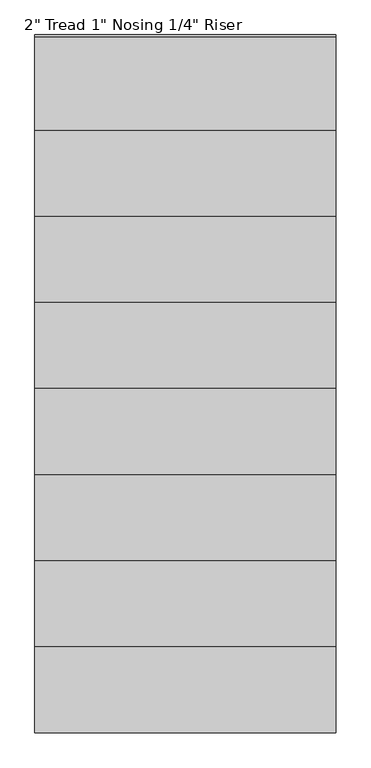
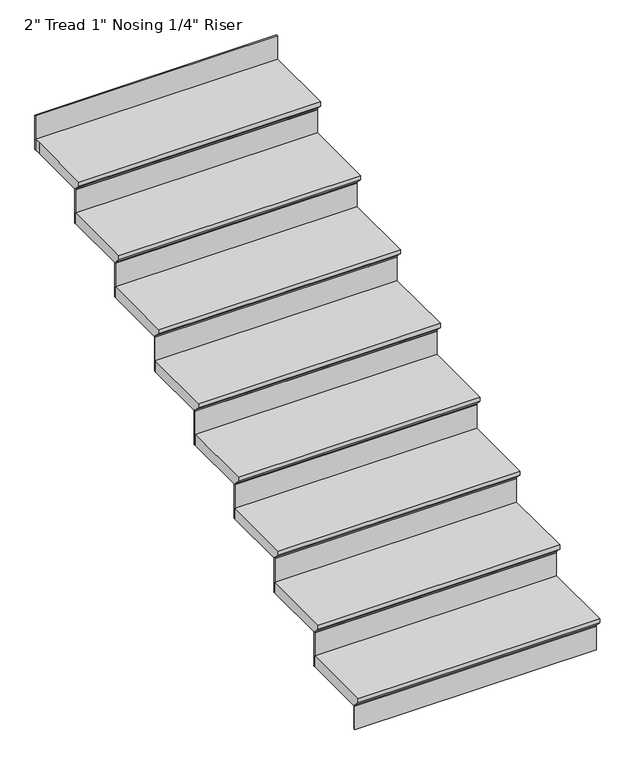
"""IFC4 building model written with IfcOpenShell, lengths in millimetres: stair flight geometry."""

from ifc_helpers import new_model, si_unit, origin, place, context, project, spatial, faceted_brep, source, transform, mapped, element, save


def stair_flight_b7dac649(model_context):
    return source(origin(), model_context, "Body", "Brep", [
        faceted_brep([(38012.2458251, 31.0295992, 140.4055556), (38012.2458251, 31.0295992, 159.4555556), (36945.4458251, 31.0295992, 159.4555556), (36945.4458251, 31.0295992, 140.4055556), (38012.2458251, 56.4295992, 115.0055556), (36945.4458251, 56.4295992, 115.0055556), (38012.2458251, 361.2295992, 159.4555556), (36945.4458251, 361.2295992, 159.4555556), (36945.4458251, 56.4295992, 108.6555556), (36945.4458251, 361.2295992, 108.6555556), (38012.2458251, 361.2295992, 108.6555556), (38012.2458251, 56.4295992, 108.6555556)], [[[0, 1, 2, 3]], [[4, 0, 3, 5]], [[2, 1, 6, 7]], [[8, 9, 10, 11]], [[2, 7, 9, 8, 5, 3]], [[8, 11, 4, 5]], [[6, 1, 0, 4, 11, 10]], [[7, 6, 10, 9]]]),
        faceted_brep([(38012.2458251, 56.4295992, 108.6555556), (38012.2458251, 56.4295992, 0.0), (38012.2458251, 62.7795992, 0.0), (38012.2458251, 62.7795992, 108.6555556), (36945.4458251, 56.4295992, 108.6555556), (36945.4458251, 62.7795992, 108.6555556), (36945.4458251, 62.7795992, 0.0), (36945.4458251, 56.4295992, 0.0)], [[[0, 1, 2, 3]], [[4, 5, 6, 7]], [[1, 0, 4, 7]], [[2, 1, 7, 6]], [[3, 2, 6, 5]], [[0, 3, 5, 4]]]),
        faceted_brep([(38012.2458251, 361.2295992, 268.1111111), (38012.2458251, 361.2295992, 108.6555556), (38012.2458251, 367.5795992, 108.6555556), (38012.2458251, 367.5795992, 268.1111111), (36945.4458251, 361.2295992, 268.1111111), (36945.4458251, 367.5795992, 268.1111111), (36945.4458251, 367.5795992, 108.6555556), (36945.4458251, 361.2295992, 108.6555556)], [[[0, 1, 2, 3]], [[4, 5, 6, 7]], [[1, 0, 4, 7]], [[2, 1, 7, 6]], [[3, 2, 6, 5]], [[0, 3, 5, 4]]]),
        faceted_brep([(36945.4458251, 335.8295992, 318.9111111), (38012.2458251, 335.8295992, 318.9111111), (38012.2458251, 666.0295992, 318.9111111), (36945.4458251, 666.0295992, 318.9111111), (36945.4458251, 361.2295992, 268.1111111), (36945.4458251, 666.0295992, 268.1111111), (38012.2458251, 666.0295992, 268.1111111), (38012.2458251, 361.2295992, 268.1111111), (36945.4458251, 361.2295992, 274.4611111), (36945.4458251, 335.8295992, 299.8611111), (38012.2458251, 361.2295992, 274.4611111), (38012.2458251, 335.8295992, 299.8611111)], [[[0, 1, 2, 3]], [[4, 5, 6, 7]], [[0, 3, 5, 4, 8, 9]], [[4, 7, 10, 8]], [[2, 1, 11, 10, 7, 6]], [[3, 2, 6, 5]], [[11, 1, 0, 9]], [[10, 11, 9, 8]]]),
        faceted_brep([(38012.2458251, 666.0295992, 427.5666667), (38012.2458251, 666.0295992, 268.1111111), (38012.2458251, 672.3795992, 268.1111111), (38012.2458251, 672.3795992, 427.5666667), (36945.4458251, 666.0295992, 427.5666667), (36945.4458251, 672.3795992, 427.5666667), (36945.4458251, 672.3795992, 268.1111111), (36945.4458251, 666.0295992, 268.1111111)], [[[0, 1, 2, 3]], [[4, 5, 6, 7]], [[1, 0, 4, 7]], [[2, 1, 7, 6]], [[3, 2, 6, 5]], [[0, 3, 5, 4]]]),
        faceted_brep([(36945.4458251, 640.6295992, 478.3666667), (38012.2458251, 640.6295992, 478.3666667), (38012.2458251, 970.8295992, 478.3666667), (36945.4458251, 970.8295992, 478.3666667), (36945.4458251, 666.0295992, 427.5666667), (36945.4458251, 970.8295992, 427.5666667), (38012.2458251, 970.8295992, 427.5666667), (38012.2458251, 666.0295992, 427.5666667), (36945.4458251, 666.0295992, 433.9166667), (36945.4458251, 640.6295992, 459.3166667), (38012.2458251, 666.0295992, 433.9166667), (38012.2458251, 640.6295992, 459.3166667)], [[[0, 1, 2, 3]], [[4, 5, 6, 7]], [[0, 3, 5, 4, 8, 9]], [[4, 7, 10, 8]], [[2, 1, 11, 10, 7, 6]], [[3, 2, 6, 5]], [[11, 1, 0, 9]], [[10, 11, 9, 8]]]),
        faceted_brep([(38012.2458251, 970.8295992, 587.0222222), (38012.2458251, 970.8295992, 427.5666667), (38012.2458251, 977.1795992, 427.5666667), (38012.2458251, 977.1795992, 587.0222222), (36945.4458251, 970.8295992, 587.0222222), (36945.4458251, 977.1795992, 587.0222222), (36945.4458251, 977.1795992, 427.5666667), (36945.4458251, 970.8295992, 427.5666667)], [[[0, 1, 2, 3]], [[4, 5, 6, 7]], [[1, 0, 4, 7]], [[2, 1, 7, 6]], [[3, 2, 6, 5]], [[0, 3, 5, 4]]]),
        faceted_brep([(36945.4458251, 945.4295992, 637.8222222), (38012.2458251, 945.4295992, 637.8222222), (38012.2458251, 1275.6295992, 637.8222222), (36945.4458251, 1275.6295992, 637.8222222), (36945.4458251, 970.8295992, 587.0222222), (36945.4458251, 1275.6295992, 587.0222222), (38012.2458251, 1275.6295992, 587.0222222), (38012.2458251, 970.8295992, 587.0222222), (36945.4458251, 970.8295992, 593.3722222), (36945.4458251, 945.4295992, 618.7722222), (38012.2458251, 970.8295992, 593.3722222), (38012.2458251, 945.4295992, 618.7722222)], [[[0, 1, 2, 3]], [[4, 5, 6, 7]], [[0, 3, 5, 4, 8, 9]], [[4, 7, 10, 8]], [[2, 1, 11, 10, 7, 6]], [[3, 2, 6, 5]], [[11, 1, 0, 9]], [[10, 11, 9, 8]]]),
        faceted_brep([(38012.2458251, 1275.6295992, 746.4777778), (38012.2458251, 1275.6295992, 587.0222222), (38012.2458251, 1281.9795992, 587.0222222), (38012.2458251, 1281.9795992, 746.4777778), (36945.4458251, 1275.6295992, 746.4777778), (36945.4458251, 1281.9795992, 746.4777778), (36945.4458251, 1281.9795992, 587.0222222), (36945.4458251, 1275.6295992, 587.0222222)], [[[0, 1, 2, 3]], [[4, 5, 6, 7]], [[1, 0, 4, 7]], [[2, 1, 7, 6]], [[3, 2, 6, 5]], [[0, 3, 5, 4]]]),
        faceted_brep([(36945.4458251, 1250.2295992, 797.2777778), (38012.2458251, 1250.2295992, 797.2777778), (38012.2458251, 1580.4295992, 797.2777778), (36945.4458251, 1580.4295992, 797.2777778), (36945.4458251, 1275.6295992, 746.4777778), (36945.4458251, 1580.4295992, 746.4777778), (38012.2458251, 1580.4295992, 746.4777778), (38012.2458251, 1275.6295992, 746.4777778), (36945.4458251, 1275.6295992, 752.8277778), (36945.4458251, 1250.2295992, 778.2277778), (38012.2458251, 1275.6295992, 752.8277778), (38012.2458251, 1250.2295992, 778.2277778)], [[[0, 1, 2, 3]], [[4, 5, 6, 7]], [[0, 3, 5, 4, 8, 9]], [[4, 7, 10, 8]], [[2, 1, 11, 10, 7, 6]], [[3, 2, 6, 5]], [[11, 1, 0, 9]], [[10, 11, 9, 8]]]),
        faceted_brep([(38012.2458251, 1580.4295992, 905.9333333), (38012.2458251, 1580.4295992, 746.4777778), (38012.2458251, 1586.7795992, 746.4777778), (38012.2458251, 1586.7795992, 905.9333333), (36945.4458251, 1580.4295992, 905.9333333), (36945.4458251, 1586.7795992, 905.9333333), (36945.4458251, 1586.7795992, 746.4777778), (36945.4458251, 1580.4295992, 746.4777778)], [[[0, 1, 2, 3]], [[4, 5, 6, 7]], [[1, 0, 4, 7]], [[2, 1, 7, 6]], [[3, 2, 6, 5]], [[0, 3, 5, 4]]]),
        faceted_brep([(36945.4458251, 1555.0295992, 956.7333333), (38012.2458251, 1555.0295992, 956.7333333), (38012.2458251, 1885.2295992, 956.7333333), (36945.4458251, 1885.2295992, 956.7333333), (36945.4458251, 1580.4295992, 905.9333333), (36945.4458251, 1885.2295992, 905.9333333), (38012.2458251, 1885.2295992, 905.9333333), (38012.2458251, 1580.4295992, 905.9333333), (36945.4458251, 1580.4295992, 912.2833333), (36945.4458251, 1555.0295992, 937.6833333), (38012.2458251, 1580.4295992, 912.2833333), (38012.2458251, 1555.0295992, 937.6833333)], [[[0, 1, 2, 3]], [[4, 5, 6, 7]], [[0, 3, 5, 4, 8, 9]], [[4, 7, 10, 8]], [[2, 1, 11, 10, 7, 6]], [[3, 2, 6, 5]], [[11, 1, 0, 9]], [[10, 11, 9, 8]]]),
        faceted_brep([(38012.2458251, 1885.2295992, 1065.3888889), (38012.2458251, 1885.2295992, 905.9333333), (38012.2458251, 1891.5795992, 905.9333333), (38012.2458251, 1891.5795992, 1065.3888889), (36945.4458251, 1885.2295992, 1065.3888889), (36945.4458251, 1891.5795992, 1065.3888889), (36945.4458251, 1891.5795992, 905.9333333), (36945.4458251, 1885.2295992, 905.9333333)], [[[0, 1, 2, 3]], [[4, 5, 6, 7]], [[1, 0, 4, 7]], [[2, 1, 7, 6]], [[3, 2, 6, 5]], [[0, 3, 5, 4]]]),
        faceted_brep([(36945.4458251, 1859.8295992, 1116.1888889), (38012.2458251, 1859.8295992, 1116.1888889), (38012.2458251, 2190.0295992, 1116.1888889), (36945.4458251, 2190.0295992, 1116.1888889), (36945.4458251, 1885.2295992, 1065.3888889), (36945.4458251, 2190.0295992, 1065.3888889), (38012.2458251, 2190.0295992, 1065.3888889), (38012.2458251, 1885.2295992, 1065.3888889), (36945.4458251, 1885.2295992, 1071.7388889), (36945.4458251, 1859.8295992, 1097.1388889), (38012.2458251, 1885.2295992, 1071.7388889), (38012.2458251, 1859.8295992, 1097.1388889)], [[[0, 1, 2, 3]], [[4, 5, 6, 7]], [[0, 3, 5, 4, 8, 9]], [[4, 7, 10, 8]], [[2, 1, 11, 10, 7, 6]], [[3, 2, 6, 5]], [[11, 1, 0, 9]], [[10, 11, 9, 8]]]),
        faceted_brep([(38012.2458251, 2494.8295992, 1384.3), (38012.2458251, 2494.8295992, 1224.8444444), (38012.2458251, 2501.1795992, 1224.8444444), (38012.2458251, 2501.1795992, 1384.3), (36945.4458251, 2494.8295992, 1384.3), (36945.4458251, 2501.1795992, 1384.3), (36945.4458251, 2501.1795992, 1224.8444444), (36945.4458251, 2494.8295992, 1224.8444444)], [[[0, 1, 2, 3]], [[4, 5, 6, 7]], [[1, 0, 4, 7]], [[2, 1, 7, 6]], [[3, 2, 6, 5]], [[0, 3, 5, 4]]]),
        faceted_brep([(38012.2458251, 2190.0295992, 1224.8444444), (38012.2458251, 2190.0295992, 1065.3888889), (38012.2458251, 2196.3795992, 1065.3888889), (38012.2458251, 2196.3795992, 1224.8444444), (36945.4458251, 2190.0295992, 1224.8444444), (36945.4458251, 2196.3795992, 1224.8444444), (36945.4458251, 2196.3795992, 1065.3888889), (36945.4458251, 2190.0295992, 1065.3888889)], [[[0, 1, 2, 3]], [[4, 5, 6, 7]], [[1, 0, 4, 7]], [[2, 1, 7, 6]], [[3, 2, 6, 5]], [[0, 3, 5, 4]]]),
        faceted_brep([(36945.4458251, 2494.8295992, 1275.6444444), (36945.4458251, 2469.4295992, 1275.6444444), (36945.4458251, 2164.6295992, 1275.6444444), (38012.2458251, 2164.6295992, 1275.6444444), (38012.2458251, 2494.8295992, 1275.6444444), (36945.4458251, 2469.4295992, 1224.8444444), (36945.4458251, 2494.8295992, 1224.8444444), (38012.2458251, 2494.8295992, 1224.8444444), (38012.2458251, 2190.0295992, 1224.8444444), (36945.4458251, 2190.0295992, 1224.8444444), (36945.4458251, 2190.0295992, 1231.1944444), (36945.4458251, 2164.6295992, 1256.5944444), (38012.2458251, 2190.0295992, 1231.1944444), (38012.2458251, 2164.6295992, 1256.5944444)], [[[0, 1, 2, 3, 4]], [[5, 6, 7, 8, 9]], [[1, 0, 6, 5]], [[2, 1, 5, 9, 10, 11]], [[9, 8, 12, 10]], [[4, 3, 13, 12, 8, 7]], [[0, 4, 7, 6]], [[13, 3, 2, 11]], [[12, 13, 11, 10]]]),
    ])


if __name__ == "__main__":
    model = new_model("IFC4")
    model_context = context("Model", 3, world=origin())
    ifc_project = project(units=[si_unit("LENGTHUNIT", "METRE", prefix="MILLI")], contexts=[model_context])
    site = spatial("IfcSite", under=ifc_project)
    building = spatial("IfcBuilding", under=site)
    placement = place(None, origin())
    stair_flight_shape = stair_flight_b7dac649(model_context)
    element("IfcStairFlight", 1, ObjectType="2\" Tread 1\" Nosing 1/4\" Riser", at=placement, inside=building, context=model_context, shape_type="MappedRepresentation", body=[
        mapped(stair_flight_shape, transform((0.0, 0.0, 0.0), x_axis=(1.0, 0.0, 0.0), y_axis=(0.0, 1.0, 0.0), z_axis=(0.0, 0.0, 1.0))),
    ])
    save(model, "model.ifc")
